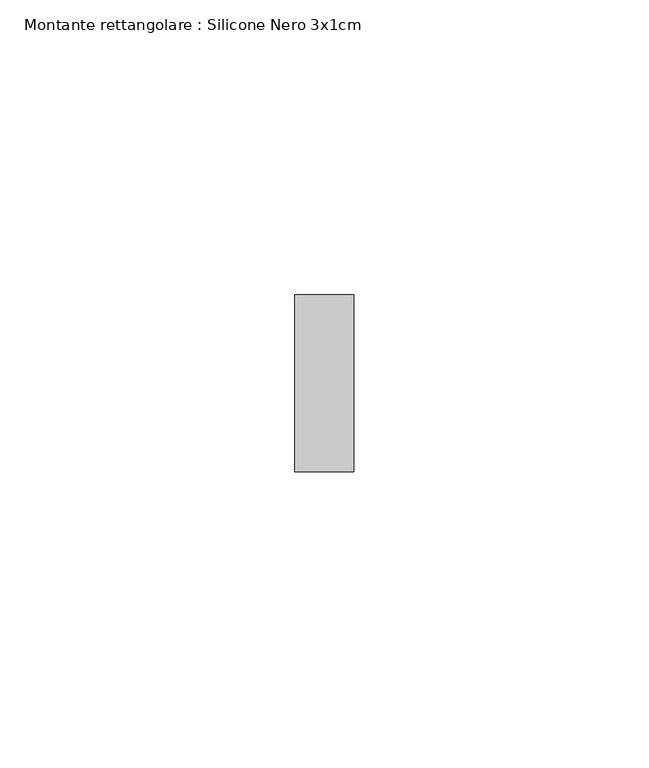
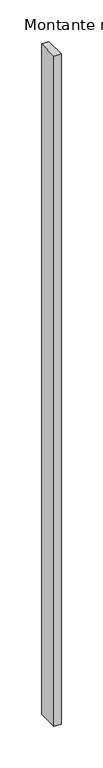
"""IFC4 building model written with IfcOpenShell, lengths in millimetres: member geometry, Montante rettangolare : Silicone Nero 3x1cm."""

from ifc_helpers import new_model, si_unit, frame, origin, place, context, project, spatial, polyline, outline, extrude, source, transform, mapped, element, save


def montante_rettangolare_silicone_nero_3x1cm_88de2b1b(model_context):
    return source(origin(), model_context, "Body", "SweptSolid", [
        extrude(outline(polyline([(5.0, 30.0), (5.0, 0.0), (-5.0, 0.0), (-5.0, 30.0), (5.0, 30.0)])), frame((0.0, 0.0, -985.0), z_axis=(0.0, 0.0, 1.0), x_axis=(1.0, 0.0, 0.0)), (0.0, 0.0, 1.0), 985.0),
    ])


if __name__ == "__main__":
    model = new_model("IFC4")
    model_context = context("Model", 3, world=origin())
    ifc_project = project(units=[si_unit("LENGTHUNIT", "METRE", prefix="MILLI")], contexts=[model_context])
    site = spatial("IfcSite", under=ifc_project)
    building = spatial("IfcBuilding", under=site)
    placement = place(None, origin())
    montante_rettangolare_silicone_nero_3x1cm_shape = montante_rettangolare_silicone_nero_3x1cm_88de2b1b(model_context)
    element("IfcMember", 1, ObjectType="Montante rettangolare : Silicone Nero 3x1cm", at=placement, inside=building, context=model_context, shape_type="MappedRepresentation", body=[
        mapped(montante_rettangolare_silicone_nero_3x1cm_shape, transform((0.0, 0.0, 0.0), x_axis=(1.0, 0.0, 0.0), y_axis=(0.0, 1.0, 0.0), z_axis=(0.0, 0.0, 1.0))),
    ])
    save(model, "model.ifc")
